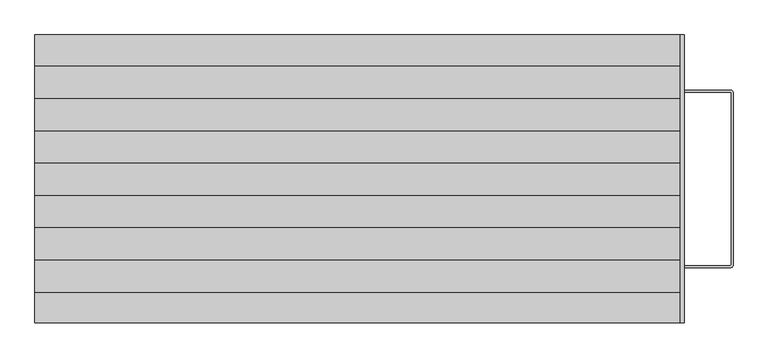
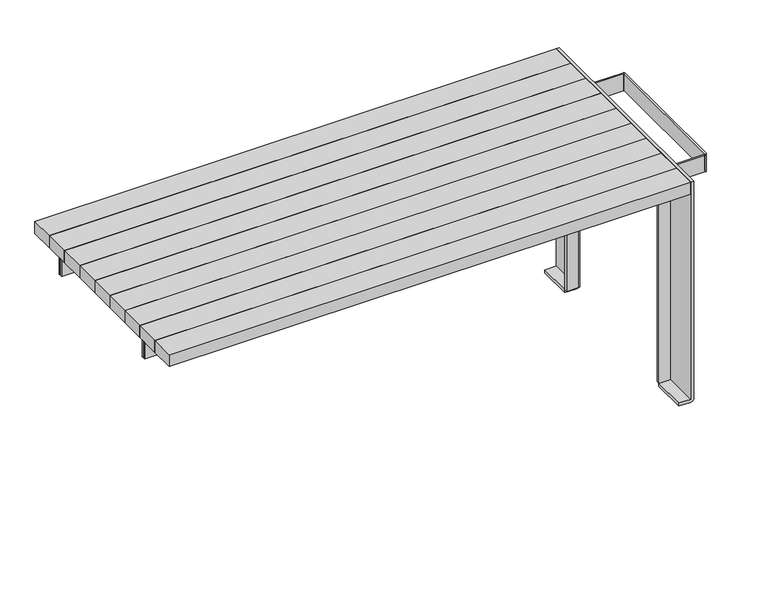
"""IFC4 building model written with IfcOpenShell, lengths in millimetres: furniture geometry."""

from ifc_helpers import new_model, si_unit, point, frame, frame_2d, origin, place, context, project, spatial, polyline, circle_curve, trimmed, segment, composite_curve, outline, extrude, source, transform, mapped, element, save
from ifc_brep_helpers import plane_surface, cylinder_surface, advanced_brep


def furniture_44c2acad(model_context):
    return source(origin(), model_context, "Body", "SolidModel", [
        extrude(outline(composite_curve([segment(trimmed(circle_curve(frame_2d((957.5185162, -221.5185162)), 0.9814838), [point((957.5185162, -222.5))], [point((958.5, -221.5185162))], True, "CARTESIAN"), True, "CONTINUOUS"), segment(polyline([(958.5, -221.5185162), (958.5, 221.4595836)]), True, "CONTINUOUS"), segment(trimmed(circle_curve(frame_2d((957.4595836, 221.4595836)), 1.0404164), [point((958.5, 221.4595836))], [point((957.4595836, 222.5))], True, "CARTESIAN"), True, "CONTINUOUS"), segment(polyline([(957.4595836, 222.5), (838.5, 222.5), (838.5, 227.5), (957.5490759, 227.5)]), True, "CONTINUOUS"), segment(trimmed(circle_curve(frame_2d((957.5490759, 221.5490759)), 5.9509241), [point((957.5490759, 227.5))], [point((963.5, 221.5490759))], False, "CARTESIAN"), True, "CONTINUOUS"), segment(polyline([(963.5, 221.5490759), (963.5, -221.5470868)]), True, "CONTINUOUS"), segment(trimmed(circle_curve(frame_2d((957.5470868, -221.5470868)), 5.9529132), [point((963.5, -221.5470868))], [point((957.5470868, -227.5))], False, "CARTESIAN"), True, "CONTINUOUS"), segment(polyline([(957.5470868, -227.5), (838.5, -227.5), (838.5, -222.5), (957.5185162, -222.5)]), True, "CONTINUOUS")], self_intersect=False)), frame((0.0, 0.0, 644.0), z_axis=(0.0, 0.0, 1.0), x_axis=(1.0, 0.0, 0.0)), (0.0, 0.0, 1.0), 56.0),
        extrude(outline(polyline([(-828.5, 234.4958372), (828.5, 234.4958372), (828.5, 229.4958372), (-828.5, 229.4958372), (-828.5, 234.4958372)])), frame((0.0, 0.0, 644.0), z_axis=(0.0, 0.0, 1.0), x_axis=(1.0, 0.0, 0.0)), (0.0, 0.0, 1.0), 56.0),
        extrude(outline(composite_curve([segment(trimmed(circle_curve(frame_2d((-713.4814838, -221.5185162)), 0.9814838), [point((-713.4814838, -222.5))], [point((-712.5, -221.5185162))], True, "CARTESIAN"), True, "CONTINUOUS"), segment(polyline([(-712.5, -221.5185162), (-712.5, 221.4595836)]), True, "CONTINUOUS"), segment(trimmed(circle_curve(frame_2d((-713.5404164, 221.4595836)), 1.0404164), [point((-712.5, 221.4595836))], [point((-713.5404164, 222.5))], True, "CARTESIAN"), True, "CONTINUOUS"), segment(polyline([(-713.5404164, 222.5), (-828.5, 222.5), (-828.5, 229.4958372), (-713.4509241, 229.4958372)]), True, "CONTINUOUS"), segment(trimmed(circle_curve(frame_2d((-713.4509241, 223.5449131)), 5.9509241), [point((-713.4509241, 229.4958372))], [point((-707.5, 223.5449131))], False, "CARTESIAN"), True, "CONTINUOUS"), segment(polyline([(-707.5, 223.5449131), (-707.5, -223.5429241)]), True, "CONTINUOUS"), segment(trimmed(circle_curve(frame_2d((-713.4529132, -223.5429241)), 5.9529132), [point((-707.5, -223.5429241))], [point((-713.4529132, -229.4958372))], False, "CARTESIAN"), True, "CONTINUOUS"), segment(polyline([(-713.4529132, -229.4958372), (-828.5, -229.4958372), (-828.5, -222.5), (-713.4814838, -222.5)]), True, "CONTINUOUS")], self_intersect=False)), frame((0.0, 0.0, 644.0), z_axis=(0.0, 0.0, 1.0), x_axis=(1.0, 0.0, 0.0)), (0.0, 0.0, 1.0), 56.0),
        extrude(outline(composite_curve([segment(polyline([(713.4814838, -222.5), (828.5, -222.5), (828.5, -229.4958372), (713.4529132, -229.4958372)]), True, "CONTINUOUS"), segment(trimmed(circle_curve(frame_2d((713.4529132, -223.5429241)), 5.9529132), [point((713.4529132, -229.4958372))], [point((707.5, -223.5429241))], False, "CARTESIAN"), True, "CONTINUOUS"), segment(polyline([(707.5, -223.5429241), (707.5, 223.5449131)]), True, "CONTINUOUS"), segment(trimmed(circle_curve(frame_2d((713.4509241, 223.5449131)), 5.9509241), [point((707.5, 223.5449131))], [point((713.4509241, 229.4958372))], False, "CARTESIAN"), True, "CONTINUOUS"), segment(polyline([(713.4509241, 229.4958372), (828.5, 229.4958372), (828.5, 222.5), (713.5404164, 222.5)]), True, "CONTINUOUS"), segment(trimmed(circle_curve(frame_2d((713.5404164, 221.4595836)), 1.0404164), [point((713.5404164, 222.5))], [point((712.5, 221.4595836))], True, "CARTESIAN"), True, "CONTINUOUS"), segment(polyline([(712.5, 221.4595836), (712.5, -221.5185162)]), True, "CONTINUOUS"), segment(trimmed(circle_curve(frame_2d((713.4814838, -221.5185162)), 0.9814838), [point((712.5, -221.5185162))], [point((713.4814838, -222.5))], True, "CARTESIAN"), True, "CONTINUOUS")], self_intersect=False)), frame((0.0, 0.0, 644.0), z_axis=(0.0, 0.0, 1.0), x_axis=(1.0, 0.0, 0.0)), (0.0, 0.0, 1.0), 56.0),
        extrude(outline(polyline([(828.5, -234.4958372), (-828.5, -234.4958372), (-828.5, -229.4958372), (828.5, -229.4958372), (828.5, -234.4958372)])), frame((0.0, 0.0, 644.0), z_axis=(0.0, 0.0, 1.0), x_axis=(1.0, 0.0, 0.0)), (0.0, 0.0, 1.0), 56.0),
        advanced_brep(
        [(791.5, -249.5, 620.0), (791.5, -259.5, 620.0), (828.5, -259.5, 620.0), (828.5, -249.5, 620.0), (791.5, -249.5, 10.1), (828.5, -249.5, 10.1), (838.5, -259.5, 10.1), (828.5, -259.5, 10.1), (791.5, -259.5, 10.1), (828.5, -259.5, 10.1), (838.5, -259.5, 620.0), (828.5, -369.5, 10.1), (828.5, -369.5, 740.0), (828.5, 369.5, 740.0), (828.5, 369.5, 10.1), (828.5, 259.5, 10.1), (828.5, 259.5, 620.0), (828.5, 249.5, 620.0), (838.5, 369.5, 10.1), (838.5, 369.5, 740.0), (838.5, -369.5, 740.0), (838.5, -369.5, 10.1), (838.5, 259.5, 620.0), (838.5, 259.5, 10.1), (828.5005, 369.5, 0.0), (791.5, 369.5, 0.0), (791.5, 369.5, 10.1), (791.5, -369.5, 10.1), (791.5, -369.5, 0.0), (828.5005, -369.5, 0.0), (791.5, 249.5, 10.1), (791.5, 259.5, 10.1), (828.5, 259.5, 10.1), (828.5, 249.5, 10.1), (791.5, 249.5, 620.0), (791.5, 259.5, 620.0), (791.5, -259.5, 0.0), (828.5005, -259.5, 0.0), (791.5, 259.5, 0.0), (828.5005, 259.5, 0.0)],
        [
            (0, 1),
            (1, 2),
            (2, 3),
            (3, 0),
            (4, 5),
            (5, 6, circle_curve(frame((828.5, -259.5, 10.1), z_axis=(0.0, 0.0, -1.0), x_axis=(-1.0, 0.0, 0.0)), 10.0)),
            (6, 7),
            (7, 8),
            (8, 4),
            (0, 4),
            (8, 1),
            (8, 9),
            (9, 2),
            (3, 5),
            (3, 10, circle_curve(frame((828.5, -259.5, 620.0), z_axis=(0.0, 0.0, -1.0), x_axis=(-1.0, 0.0, 0.0)), 10.0)),
            (10, 6),
            (11, 12),
            (12, 13),
            (13, 14),
            (14, 15),
            (15, 16),
            (16, 17),
            (17, 3),
            (9, 11),
            (18, 19),
            (19, 20),
            (20, 21),
            (21, 6),
            (10, 22),
            (22, 23),
            (23, 18),
            (13, 19),
            (18, 24, circle_curve(frame((828.5005, 369.5, 10.0), z_axis=(0.0, 1.0, 0.0), x_axis=(-1.0, 0.0, 0.0)), 10.0)),
            (24, 25),
            (25, 26),
            (26, 14),
            (12, 20),
            (11, 27),
            (27, 28),
            (28, 29),
            (29, 21, circle_curve(frame((828.5005, -369.5, 10.0), z_axis=(0.0, -1.0, 0.0), x_axis=(-1.0, 0.0, 0.0)), 10.0)),
            (17, 22, circle_curve(frame((828.5, 259.5, 620.0), z_axis=(0.0, 0.0, 1.0), x_axis=(-1.0, 0.0, 0.0)), 10.0)),
            (30, 31),
            (31, 32),
            (32, 23),
            (23, 33, circle_curve(frame((828.5, 259.5, 10.1), z_axis=(0.0, 0.0, -1.0), x_axis=(-1.0, 0.0, 0.0)), 10.0)),
            (33, 30),
            (34, 17),
            (16, 35),
            (35, 34),
            (35, 31),
            (30, 34),
            (15, 31),
            (33, 17),
            (36, 8),
            (6, 37, circle_curve(frame((828.5005, -259.5, 10.0), z_axis=(0.0, 1.0, 0.0), x_axis=(-1.0, 0.0, 0.0)), 10.0)),
            (37, 36),
            (27, 8),
            (36, 28),
            (29, 37),
            (38, 39),
            (39, 23, circle_curve(frame((828.5005, 259.5, 10.0), z_axis=(0.0, -1.0, 0.0), x_axis=(-1.0, 0.0, 0.0)), 10.0)),
            (31, 38),
            (25, 38),
            (31, 26),
            (39, 24),
        ],
        [
            plane_surface(frame((791.5, -259.5, 620.0), z_axis=(0.0, 0.0, 1.0), x_axis=(0.0, -1.0, 0.0))),
            plane_surface(frame((791.5, -259.5, 10.1), z_axis=(0.0, 0.0, -1.0), x_axis=(0.0, 1.0, 0.0))),
            plane_surface(frame((791.5, -249.5, 620.0), z_axis=(-1.0, 0.0, 0.0), x_axis=(0.0, 0.0, -1.0))),
            plane_surface(frame((791.5, -259.5, 620.0), z_axis=(0.0, -1.0, 0.0), x_axis=(0.0, 0.0, -1.0))),
            plane_surface(frame((828.5, -249.5, 620.0), z_axis=(0.0, 1.0, 0.0), x_axis=(0.0, 0.0, -1.0))),
            cylinder_surface(frame((828.5, -259.5, 10.1), z_axis=(0.0, 0.0, 1.0), x_axis=(-1.0, 0.0, 0.0)), 10.0),
            plane_surface(frame((828.5, 369.5, 10.1), z_axis=(-1.0, 0.0, 0.0), x_axis=(0.0, -1.0, 0.0))),
            plane_surface(frame((838.5, 369.5, 10.1), z_axis=(1.0, 0.0, 0.0), x_axis=(0.0, 1.0, 0.0))),
            plane_surface(frame((828.5, 369.5, 740.0), z_axis=(0.0, 1.0, 0.0), x_axis=(1.0, 0.0, 0.0))),
            plane_surface(frame((828.5, -369.5, 740.0), z_axis=(0.0, 0.0, 1.0), x_axis=(1.0, 0.0, 0.0))),
            plane_surface(frame((828.5, -369.5, 10.1), z_axis=(0.0, -1.0, 0.0), x_axis=(1.0, 0.0, 0.0))),
            plane_surface(frame((828.5, 259.5, 620.0), z_axis=(0.0, 0.0, -1.0), x_axis=(1.0, 0.0, 0.0))),
            plane_surface(frame((828.5, 369.5, 10.1), z_axis=(0.0, 0.0, -1.0), x_axis=(1.0, 0.0, 0.0))),
            plane_surface(frame((828.5, 249.5, 620.0), z_axis=(0.0, 0.0, 1.0), x_axis=(1.0, 0.0, 0.0))),
            plane_surface(frame((791.5, 259.5, 620.0), z_axis=(-1.0, 0.0, 0.0), x_axis=(0.0, 0.0, -1.0))),
            plane_surface(frame((828.5, 259.5, 620.0), z_axis=(0.0, 1.0, 0.0), x_axis=(0.0, 0.0, -1.0))),
            plane_surface(frame((791.5, 249.5, 620.0), z_axis=(0.0, -1.0, 0.0), x_axis=(0.0, 0.0, -1.0))),
            cylinder_surface(frame((828.5, 259.5, 10.1), z_axis=(0.0, 0.0, 1.0), x_axis=(-1.0, 0.0, 0.0)), 10.0),
            plane_surface(frame((828.4, -259.5, 0.0), z_axis=(0.0, 1.0, 0.0), x_axis=(-1.0, 0.0, 0.0))),
            plane_surface(frame((791.5, -369.5, 10.1), z_axis=(-1.0, 0.0, 0.0), x_axis=(0.0, 1.0, 0.0))),
            plane_surface(frame((828.5, -369.5, 10.1), z_axis=(0.0, 0.0, 1.0), x_axis=(0.0, 1.0, 0.0))),
            cylinder_surface(frame((828.5005, -259.5, 10.0), z_axis=(0.0, -1.0, 0.0), x_axis=(-1.0, 0.0, 0.0)), 10.0),
            plane_surface(frame((791.5, -369.5, 0.0), z_axis=(0.0, 0.0, -1.0), x_axis=(0.0, 1.0, 0.0))),
            plane_surface(frame((791.5, 259.5, 0.0), z_axis=(0.0, -1.0, 0.0), x_axis=(0.0, 0.0, -1.0))),
            plane_surface(frame((791.5, 369.5, 0.0), z_axis=(-1.0, 0.0, 0.0), x_axis=(0.0, -1.0, 0.0))),
            plane_surface(frame((791.5, 369.5, 10.1), z_axis=(0.0, 0.0, 1.0), x_axis=(0.0, -1.0, 0.0))),
            cylinder_surface(frame((828.5005, 259.5, 10.0), z_axis=(0.0, 1.0, 0.0), x_axis=(-1.0, 0.0, 0.0)), 10.0),
            plane_surface(frame((828.5005, 369.5, 0.0), z_axis=(0.0, 0.0, -1.0), x_axis=(0.0, -1.0, 0.0))),
        ],
        [
            (0, [[1, 2, 3, 4]]),
            (1, [[5, 6, 7, 8, 9]]),
            (2, [[-1, 10, -9, 11]]),
            (3, [[-2, -11, 12, 13]]),
            (4, [[-4, 14, -5, -10]]),
            (5, [[-6, -14, 15, 16]]),
            (6, [[17, 18, 19, 20, 21, 22, 23, -3, -13, 24]]),
            (7, [[25, 26, 27, 28, -16, 29, 30, 31]]),
            (8, [[-19, 32, -25, 33, 34, 35, 36]]),
            (9, [[-18, 37, -26, -32]]),
            (10, [[-17, 38, 39, 40, 41, -27, -37]]),
            (11, [[-29, -15, -23, 42]]),
            (12, [[43, 44, 45, 46, 47]]),
            (13, [[48, -22, 49, 50]]),
            (14, [[-50, 51, -43, 52]]),
            (15, [[-49, -21, 53, -51]]),
            (16, [[-48, -52, -47, 54]]),
            (17, [[-46, -30, -42, -54]]),
            (18, [[55, -8, -7, 56, 57]]),
            (19, [[-39, 58, -55, 59]]),
            (20, [[-38, -24, -12, -58]]),
            (21, [[-41, 60, -56, -28]]),
            (22, [[-40, -59, -57, -60]]),
            (23, [[61, 62, -45, -44, 63]]),
            (24, [[-35, 64, -63, 65]]),
            (25, [[-36, -65, -53, -20]]),
            (26, [[-33, -31, -62, 66]]),
            (27, [[-34, -66, -61, -64]]),
        ],
    ),
        extrude(outline(polyline([(828.5, 369.5), (828.5, 290.2606594), (-828.5, 290.2606594), (-828.5, 369.5), (828.5, 369.5)])), frame((0.0, 0.0, 700.0), z_axis=(0.0, 0.0, 1.0), x_axis=(1.0, 0.0, 0.0)), (0.0, 0.0, 1.0), 40.0),
        extrude(outline(polyline([(828.5, 290.2606594), (828.5, 207.2592755), (-828.5, 207.2592755), (-828.5, 290.2606594), (828.5, 290.2606594)])), frame((0.0, 0.0, 700.0), z_axis=(0.0, 0.0, 1.0), x_axis=(1.0, 0.0, 0.0)), (0.0, 0.0, 1.0), 40.0),
        extrude(outline(polyline([(828.5, 207.2592755), (828.5, 124.0044323), (-828.5, 124.0044323), (-828.5, 207.2592755), (828.5, 207.2592755)])), frame((0.0, 0.0, 700.0), z_axis=(0.0, 0.0, 1.0), x_axis=(1.0, 0.0, 0.0)), (0.0, 0.0, 1.0), 40.0),
        extrude(outline(polyline([(828.5, 124.0044323), (828.5, 40.8074448), (-828.5, 40.8074448), (-828.5, 124.0044323), (828.5, 124.0044323)])), frame((0.0, 0.0, 700.0), z_axis=(0.0, 0.0, 1.0), x_axis=(1.0, 0.0, 0.0)), (0.0, 0.0, 1.0), 40.0),
        extrude(outline(polyline([(828.5, 40.8074448), (828.5, -41.7908347), (-828.5, -41.7908347), (-828.5, 40.8074448), (828.5, 40.8074448)])), frame((0.0, 0.0, 700.0), z_axis=(0.0, 0.0, 1.0), x_axis=(1.0, 0.0, 0.0)), (0.0, 0.0, 1.0), 40.0),
        extrude(outline(polyline([(828.5, -41.7908347), (828.5, -124.6200839), (-828.5, -124.6200839), (-828.5, -41.7908347), (828.5, -41.7908347)])), frame((0.0, 0.0, 700.0), z_axis=(0.0, 0.0, 1.0), x_axis=(1.0, 0.0, 0.0)), (0.0, 0.0, 1.0), 40.0),
        extrude(outline(polyline([(828.5, -124.6200839), (828.5, -208.0455793), (-828.5, -208.0455793), (-828.5, -124.6200839), (828.5, -124.6200839)])), frame((0.0, 0.0, 700.0), z_axis=(0.0, 0.0, 1.0), x_axis=(1.0, 0.0, 0.0)), (0.0, 0.0, 1.0), 40.0),
        extrude(outline(polyline([(828.5, -208.0455793), (828.5, -290.7622907), (-828.5, -290.7622907), (-828.5, -208.0455793), (828.5, -208.0455793)])), frame((0.0, 0.0, 700.0), z_axis=(0.0, 0.0, 1.0), x_axis=(1.0, 0.0, 0.0)), (0.0, 0.0, 1.0), 40.0),
        extrude(outline(polyline([(828.5, -290.7622907), (828.5, -369.5), (-828.5, -369.5), (-828.5, -290.7622907), (828.5, -290.7622907)])), frame((0.0, 0.0, 700.0), z_axis=(0.0, 0.0, 1.0), x_axis=(1.0, 0.0, 0.0)), (0.0, 0.0, 1.0), 40.0),
    ])


if __name__ == "__main__":
    model = new_model("IFC4")
    model_context = context("Model", 3, world=origin())
    ifc_project = project(units=[si_unit("LENGTHUNIT", "METRE", prefix="MILLI")], contexts=[model_context])
    site = spatial("IfcSite", under=ifc_project)
    building = spatial("IfcBuilding", under=site)
    placement = place(None, origin())
    furniture_shape = furniture_44c2acad(model_context)
    element("IfcFurniture", 1, at=placement, inside=building, context=model_context, shape_type="MappedRepresentation", body=[
        mapped(furniture_shape, transform((0.0, 0.0, 0.0), x_axis=(1.0, 0.0, 0.0), y_axis=(0.0, 1.0, 0.0), z_axis=(0.0, 0.0, 1.0))),
    ])
    save(model, "model.ifc")
